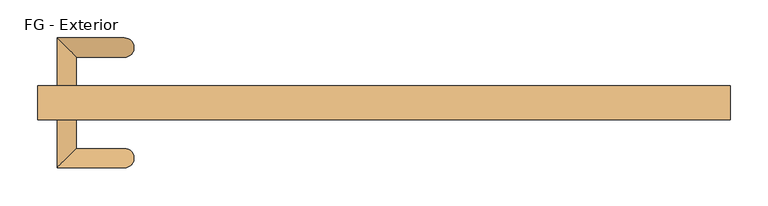
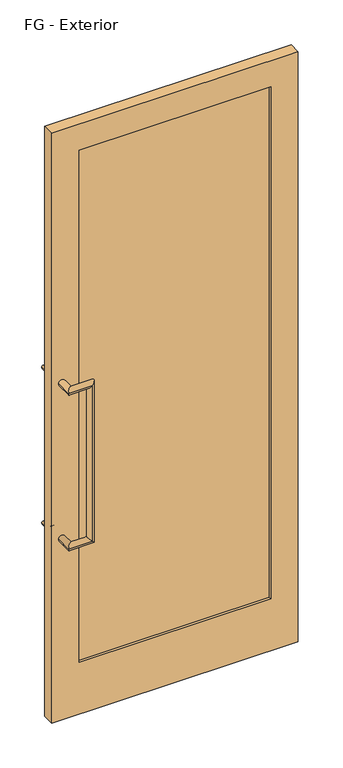
"""IFC4 building model written with IfcOpenShell, lengths in millimetres: door geometry, FG - Exterior."""

from ifc_helpers import new_model, si_unit, frame, origin, place, context, project, spatial, polyline, circle_curve, ellipse_curve, outline, extrude, source, transform, mapped, element, save
from ifc_brep_helpers import plane_surface, cylinder_surface, advanced_brep


def fg_exterior_ee27b530(model_context):
    return source(origin(), model_context, "Body", "SolidModel", [
        advanced_brep(
        [(-431.8, 0.0, 1320.8), (-406.4, 0.0, 1320.8), (-431.8, 63.5, 1320.8), (-406.4, 38.1, 1320.8), (-342.9, 63.5, 1320.8), (-342.9, 38.1, 1320.8), (-342.9, 63.5, 711.2), (-342.9, 38.1, 711.2), (-431.8, 63.5, 711.2), (-406.4, 38.1, 711.2), (-431.8, 0.0, 711.2), (-406.4, 0.0, 711.2)],
        [
            (0, 1, circle_curve(frame((-419.1, 0.0, 1320.8), z_axis=(0.0, -1.0, 0.0), x_axis=(1.0, 0.0, 0.0)), 12.7)),
            (1, 0, circle_curve(frame((-419.1, 0.0, 1320.8), z_axis=(0.0, -1.0, 0.0), x_axis=(1.0, 0.0, 0.0)), 12.7)),
            (0, 2),
            (2, 3, ellipse_curve(frame((-419.1, 50.8, 1320.8), z_axis=(-0.7071067811865475, -0.7071067811865475, 0.0), x_axis=(0.7071067811865474, -0.7071067811865476, 0.0)), 17.9605122, 12.7)),
            (3, 1),
            (3, 2, ellipse_curve(frame((-419.1, 50.8, 1320.8), z_axis=(-0.7071067811865475, -0.7071067811865475, 0.0), x_axis=(0.7071067811865474, -0.7071067811865476, 0.0)), 17.9605122, 12.7)),
            (2, 4),
            (4, 5, ellipse_curve(frame((-342.9, 50.8, 1320.8), z_axis=(-0.7071067811865475, 0.0, 0.7071067811865475), x_axis=(-0.7071067811865476, 0.0, -0.7071067811865474)), 17.9605122, 12.7)),
            (5, 3),
            (5, 4, ellipse_curve(frame((-342.9, 50.8, 1320.8), z_axis=(-0.7071067811865475, 0.0, 0.7071067811865475), x_axis=(-0.7071067811865476, 0.0, -0.7071067811865474)), 17.9605122, 12.7)),
            (4, 6),
            (6, 7, ellipse_curve(frame((-342.9, 50.8, 711.2), z_axis=(0.7071067811865475, 0.0, 0.7071067811865475), x_axis=(-0.7071067811865474, 0.0, 0.7071067811865476)), 17.9605122, 12.7)),
            (7, 5),
            (7, 6, ellipse_curve(frame((-342.9, 50.8, 711.2), z_axis=(0.7071067811865475, 0.0, 0.7071067811865475), x_axis=(-0.7071067811865474, 0.0, 0.7071067811865476)), 17.9605122, 12.7)),
            (6, 8),
            (8, 9, ellipse_curve(frame((-419.1, 50.8, 711.2), z_axis=(0.7071067811865475, 0.7071067811865475, 0.0), x_axis=(0.7071067811865476, -0.7071067811865474, 0.0)), 17.9605122, 12.7)),
            (9, 7),
            (9, 8, ellipse_curve(frame((-419.1, 50.8, 711.2), z_axis=(0.7071067811865475, 0.7071067811865475, 0.0), x_axis=(0.7071067811865476, -0.7071067811865474, 0.0)), 17.9605122, 12.7)),
            (10, 11, circle_curve(frame((-419.1, 0.0, 711.2), z_axis=(0.0, -1.0, 0.0), x_axis=(1.0, 0.0, 0.0)), 12.7)),
            (11, 10, circle_curve(frame((-419.1, 0.0, 711.2), z_axis=(0.0, -1.0, 0.0), x_axis=(1.0, 0.0, 0.0)), 12.7)),
            (8, 10),
            (11, 9),
        ],
        [
            plane_surface(frame((-431.8, 0.0, 1320.8), z_axis=(0.0, -1.0, 0.0), x_axis=(0.0, 0.0, 1.0))),
            cylinder_surface(frame((-419.1, 0.0, 1320.8), z_axis=(0.0, -1.0, 0.0), x_axis=(1.0, 0.0, 0.0)), 12.7),
            cylinder_surface(frame((-419.1, 50.8, 1320.8), z_axis=(-1.0, 0.0, 0.0), x_axis=(0.0, -1.0, 0.0)), 12.7),
            cylinder_surface(frame((-342.9, 50.8, 1320.8), z_axis=(0.0, 0.0, 1.0), x_axis=(0.0, -1.0, 0.0)), 12.7),
            cylinder_surface(frame((-342.9, 50.8, 711.2), z_axis=(1.0, 0.0, 0.0), x_axis=(0.0, -1.0, 0.0)), 12.7),
            plane_surface(frame((-431.8, 0.0, 711.2), z_axis=(0.0, -1.0, 0.0), x_axis=(0.0, 0.0, -1.0))),
            cylinder_surface(frame((-419.1, 50.8, 711.2), z_axis=(0.0, 1.0, 0.0), x_axis=(1.0, 0.0, 0.0)), 12.7),
        ],
        [
            (0, [[1, 2]]),
            (1, [[-1, 3, 4, 5]]),
            (1, [[-2, -5, 6, -3]]),
            (2, [[-4, 7, 8, 9]]),
            (2, [[-6, -9, 10, -7]]),
            (3, [[-8, 11, 12, 13]]),
            (3, [[-10, -13, 14, -11]]),
            (4, [[-12, 15, 16, 17]]),
            (4, [[-14, -17, 18, -15]]),
            (5, [[19, 20]]),
            (6, [[-16, 21, -20, 22]]),
            (6, [[-18, -22, -19, -21]]),
        ],
    ),
        advanced_brep(
        [(-431.8, -44.45, 711.2), (-406.4, -44.45, 711.2), (-431.8, -107.95, 711.2), (-406.4, -82.55, 711.2), (-342.9, -107.95, 711.2), (-342.9, -82.55, 711.2), (-342.9, -107.95, 1320.8), (-342.9, -82.55, 1320.8), (-431.8, -107.95, 1320.8), (-406.4, -82.55, 1320.8), (-431.8, -44.45, 1320.8), (-406.4, -44.45, 1320.8)],
        [
            (0, 1, circle_curve(frame((-419.1, -44.45, 711.2), z_axis=(0.0, 1.0, 0.0), x_axis=(1.0, 0.0, 0.0)), 12.7)),
            (1, 0, circle_curve(frame((-419.1, -44.45, 711.2), z_axis=(0.0, 1.0, 0.0), x_axis=(1.0, 0.0, 0.0)), 12.7)),
            (0, 2),
            (2, 3, ellipse_curve(frame((-419.1, -95.25, 711.2), z_axis=(-0.7071067811865474, 0.7071067811865476, 0.0), x_axis=(0.7071067811865475, 0.7071067811865475, 0.0)), 17.9605122, 12.7)),
            (3, 1),
            (3, 2, ellipse_curve(frame((-419.1, -95.25, 711.2), z_axis=(-0.7071067811865474, 0.7071067811865476, 0.0), x_axis=(0.7071067811865475, 0.7071067811865475, 0.0)), 17.9605122, 12.7)),
            (2, 4),
            (4, 5, ellipse_curve(frame((-342.9, -95.25, 711.2), z_axis=(-0.7071067811865475, 0.0, -0.7071067811865475), x_axis=(-0.7071067811865476, 0.0, 0.7071067811865474)), 17.9605122, 12.7)),
            (5, 3),
            (5, 4, ellipse_curve(frame((-342.9, -95.25, 711.2), z_axis=(-0.7071067811865475, 0.0, -0.7071067811865475), x_axis=(-0.7071067811865476, 0.0, 0.7071067811865474)), 17.9605122, 12.7)),
            (4, 6),
            (6, 7, ellipse_curve(frame((-342.9, -95.25, 1320.8), z_axis=(0.7071067811865475, 0.0, -0.7071067811865475), x_axis=(-0.7071067811865474, 0.0, -0.7071067811865476)), 17.9605122, 12.7)),
            (7, 5),
            (7, 6, ellipse_curve(frame((-342.9, -95.25, 1320.8), z_axis=(0.7071067811865475, 0.0, -0.7071067811865475), x_axis=(-0.7071067811865474, 0.0, -0.7071067811865476)), 17.9605122, 12.7)),
            (6, 8),
            (8, 9, ellipse_curve(frame((-419.1, -95.25, 1320.8), z_axis=(0.7071067811865475, -0.7071067811865475, 0.0), x_axis=(0.7071067811865477, 0.7071067811865474, 0.0)), 17.9605122, 12.7)),
            (9, 7),
            (9, 8, ellipse_curve(frame((-419.1, -95.25, 1320.8), z_axis=(0.7071067811865475, -0.7071067811865475, 0.0), x_axis=(0.7071067811865477, 0.7071067811865474, 0.0)), 17.9605122, 12.7)),
            (10, 11, circle_curve(frame((-419.1, -44.45, 1320.8), z_axis=(0.0, 1.0, 0.0), x_axis=(1.0, 0.0, 0.0)), 12.7)),
            (11, 10, circle_curve(frame((-419.1, -44.45, 1320.8), z_axis=(0.0, 1.0, 0.0), x_axis=(1.0, 0.0, 0.0)), 12.7)),
            (8, 10),
            (11, 9),
        ],
        [
            plane_surface(frame((-431.8, -44.45, 711.2), z_axis=(0.0, 1.0, 0.0), x_axis=(0.0, 0.0, -1.0))),
            cylinder_surface(frame((-419.1, -44.45, 711.2), z_axis=(0.0, 1.0, 0.0), x_axis=(1.0, 0.0, 0.0)), 12.7),
            cylinder_surface(frame((-419.1, -95.25, 711.2), z_axis=(-1.0, 0.0, 0.0), x_axis=(0.0, 1.0, 0.0)), 12.7),
            cylinder_surface(frame((-342.9, -95.25, 711.2), z_axis=(0.0, 0.0, -1.0), x_axis=(0.0, 1.0, 0.0)), 12.7),
            cylinder_surface(frame((-342.9, -95.25, 1320.8), z_axis=(1.0, 0.0, 0.0), x_axis=(0.0, 1.0, 0.0)), 12.7),
            plane_surface(frame((-431.8, -44.45, 1320.8), z_axis=(0.0, 1.0, 0.0), x_axis=(0.0, 0.0, 1.0))),
            cylinder_surface(frame((-419.1, -95.25, 1320.8), z_axis=(0.0, -1.0, 0.0), x_axis=(1.0, 0.0, 0.0)), 12.7),
        ],
        [
            (0, [[1, 2]]),
            (1, [[-1, 3, 4, 5]]),
            (1, [[-2, -5, 6, -3]]),
            (2, [[-4, 7, 8, 9]]),
            (2, [[-6, -9, 10, -7]]),
            (3, [[-8, 11, 12, 13]]),
            (3, [[-10, -13, 14, -11]]),
            (4, [[-12, 15, 16, 17]]),
            (4, [[-14, -17, 18, -15]]),
            (5, [[19, 20]]),
            (6, [[-16, 21, -20, 22]]),
            (6, [[-18, -22, -19, -21]]),
        ],
    ),
        extrude(outline(polyline([(2311.4, 457.2), (2311.4, -457.2), (0.0, -457.2), (0.0, 457.2), (2311.4, 457.2)]), holes=[polyline([(2209.8, -355.6), (2209.8, 355.6), (203.2, 355.6), (203.2, -355.6), (2209.8, -355.6)])]), frame((0.0, -44.45, 0.0), z_axis=(0.0, 1.0, 0.0), x_axis=(0.0, 0.0, 1.0)), (0.0, 0.0, 1.0), 44.45),
        extrude(outline(polyline([(-355.6, -9.525), (355.6, -9.525), (355.6, -34.925), (-355.6, -34.925), (-355.6, -9.525)])), frame((0.0, 0.0, 203.2), z_axis=(0.0, 0.0, 1.0), x_axis=(1.0, 0.0, 0.0)), (0.0, 0.0, 1.0), 2006.6),
    ])


if __name__ == "__main__":
    model = new_model("IFC4")
    model_context = context("Model", 3, world=origin())
    ifc_project = project(units=[si_unit("LENGTHUNIT", "METRE", prefix="MILLI")], contexts=[model_context])
    site = spatial("IfcSite", under=ifc_project)
    building = spatial("IfcBuilding", under=site)
    placement = place(None, origin())
    fg_exterior_shape = fg_exterior_ee27b530(model_context)
    element("IfcDoor", 1, ObjectType="FG - Exterior", at=placement, inside=building, context=model_context, shape_type="MappedRepresentation", body=[
        mapped(fg_exterior_shape, transform((0.0, 0.0, 0.0), x_axis=(1.0, 0.0, 0.0), y_axis=(0.0, 1.0, 0.0), z_axis=(0.0, 0.0, 1.0))),
    ])
    save(model, "model.ifc")
